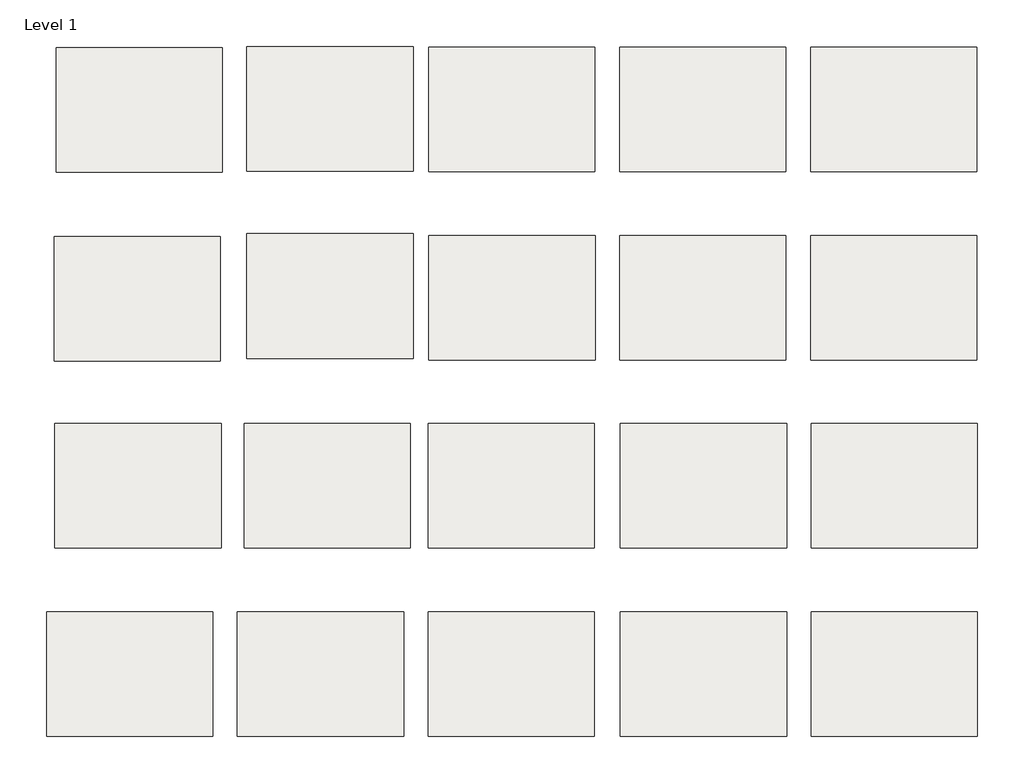
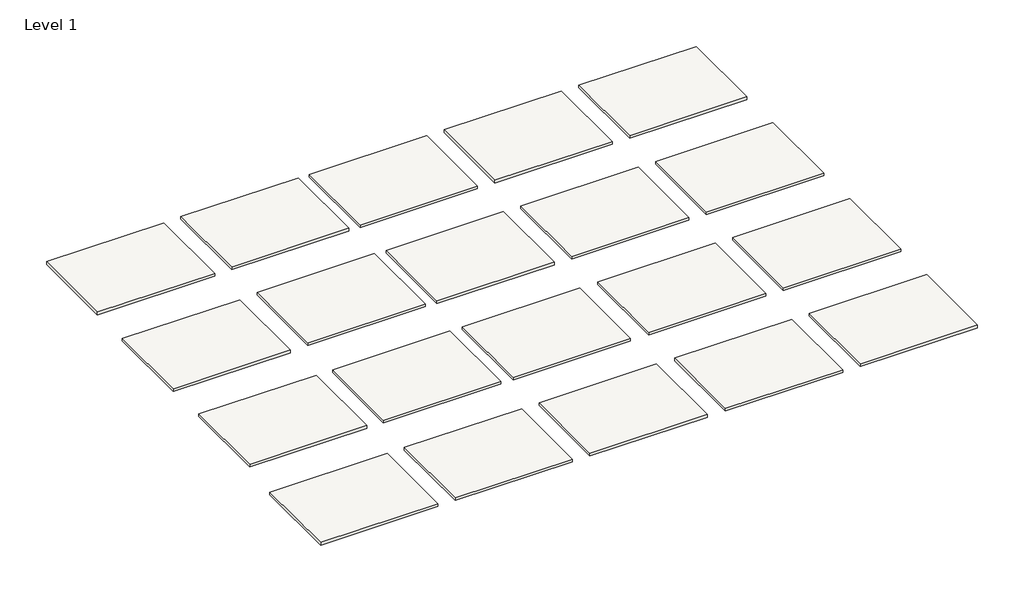
# One storey: 20 slabs.
"""IFC4 building model written with IfcOpenShell, lengths in millimetres."""

from ifc_helpers import new_model, si_unit, frame, origin, place, context, project, spatial, polyline, outline, extrude, element, save

model = new_model("IFC4")

# Units and contexts
model_context = context("Model", 3, world=origin())
ifc_project = project(units=[si_unit("LENGTHUNIT", "METRE", prefix="MILLI")], contexts=[model_context])

# Site, building, storey
site = spatial("IfcSite", under=ifc_project)
building = spatial("IfcBuilding", under=site)
storey = spatial("IfcBuildingStorey", under=building, Name="Level 1", Elevation=0.0)

# Slabs
placement = place(None, origin())
element("IfcSlab", 1, at=placement, inside=storey, context=model_context, shape_type="SweptSolid", body=[
    extrude(outline(polyline([(-8539.1664205, 6193.0102011), (-8539.1664205, 6497.8102011), (-8132.7664205, 6497.8102011), (-8132.7664205, 6193.0102011), (-8539.1664205, 6193.0102011)])), frame((0.0, 0.0, -9.525), z_axis=(0.0, 0.0, 1.0), x_axis=(1.0, 0.0, 0.0)), (0.0, 0.0, 1.0), 9.525),
])
element("IfcSlab", 2, at=placement, inside=storey, context=model_context, shape_type="SweptSolid", body=[
    extrude(outline(polyline([(-8094.3064635, 6191.4484123), (-8094.3064635, 6496.2484123), (-7687.9064635, 6496.2484123), (-7687.9064635, 6191.4484123), (-8094.3064635, 6191.4484123)])), frame((0.0, 0.0, -9.525), z_axis=(0.0, 0.0, 1.0), x_axis=(1.0, 0.0, 0.0)), (0.0, 0.0, 1.0), 9.525),
])
element("IfcSlab", 3, at=placement, inside=storey, context=model_context, shape_type="SweptSolid", body=[
    extrude(outline(polyline([(-7627.5814635, 6191.4484123), (-7627.5814635, 6496.2484123), (-7221.1814635, 6496.2484123), (-7221.1814635, 6191.4484123), (-7627.5814635, 6191.4484123)])), frame((0.0, 0.0, -9.525), z_axis=(0.0, 0.0, 1.0), x_axis=(1.0, 0.0, 0.0)), (0.0, 0.0, 1.0), 9.525),
])
element("IfcSlab", 4, at=placement, inside=storey, context=model_context, shape_type="SweptSolid", body=[
    extrude(outline(polyline([(-7160.8564635, 6191.4484123), (-7160.8564635, 6496.2484123), (-6754.4564635, 6496.2484123), (-6754.4564635, 6191.4484123), (-7160.8564635, 6191.4484123)])), frame((0.0, 0.0, -9.525), z_axis=(0.0, 0.0, 1.0), x_axis=(1.0, 0.0, 0.0)), (0.0, 0.0, 1.0), 9.525),
])
element("IfcSlab", 5, at=placement, inside=storey, context=model_context, shape_type="SweptSolid", body=[
    extrude(outline(polyline([(-9010.2023039, 5727.7116806), (-9010.2023039, 6032.5116806), (-8603.8023039, 6032.5116806), (-8603.8023039, 5727.7116806), (-9010.2023039, 5727.7116806)])), frame((0.0, 0.0, -9.525), z_axis=(0.0, 0.0, 1.0), x_axis=(1.0, 0.0, 0.0)), (0.0, 0.0, 1.0), 9.525),
])
element("IfcSlab", 6, at=placement, inside=storey, context=model_context, shape_type="SweptSolid", body=[
    extrude(outline(polyline([(-8539.2754025, 5734.899991), (-8539.2754025, 6039.699991), (-8132.8754025, 6039.699991), (-8132.8754025, 5734.899991), (-8539.2754025, 5734.899991)])), frame((0.0, 0.0, -9.525), z_axis=(0.0, 0.0, 1.0), x_axis=(1.0, 0.0, 0.0)), (0.0, 0.0, 1.0), 9.525),
])
element("IfcSlab", 7, at=placement, inside=storey, context=model_context, shape_type="SweptSolid", body=[
    extrude(outline(polyline([(-8094.1153335, 5730.7923851), (-8094.1153335, 6035.5923851), (-7687.7153335, 6035.5923851), (-7687.7153335, 5730.7923851), (-8094.1153335, 5730.7923851)])), frame((0.0, 0.0, -9.525), z_axis=(0.0, 0.0, 1.0), x_axis=(1.0, 0.0, 0.0)), (0.0, 0.0, 1.0), 9.525),
])
element("IfcSlab", 8, at=placement, inside=storey, context=model_context, shape_type="SweptSolid", body=[
    extrude(outline(polyline([(-7627.3903335, 5730.7923851), (-7627.3903335, 6035.5923851), (-7220.9903335, 6035.5923851), (-7220.9903335, 5730.7923851), (-7627.3903335, 5730.7923851)])), frame((0.0, 0.0, -9.525), z_axis=(0.0, 0.0, 1.0), x_axis=(1.0, 0.0, 0.0)), (0.0, 0.0, 1.0), 9.525),
])
element("IfcSlab", 9, at=placement, inside=storey, context=model_context, shape_type="SweptSolid", body=[
    extrude(outline(polyline([(-7160.6653335, 5730.7923851), (-7160.6653335, 6035.5923851), (-6754.2653335, 6035.5923851), (-6754.2653335, 5730.7923851), (-7160.6653335, 5730.7923851)])), frame((0.0, 0.0, -9.525), z_axis=(0.0, 0.0, 1.0), x_axis=(1.0, 0.0, 0.0)), (0.0, 0.0, 1.0), 9.525),
])
element("IfcSlab", 10, at=placement, inside=storey, context=model_context, shape_type="SweptSolid", body=[
    extrude(outline(polyline([(-9008.794188, 5270.8556004), (-9008.794188, 5575.6556004), (-8602.394188, 5575.6556004), (-8602.394188, 5270.8556004), (-9008.794188, 5270.8556004)])), frame((0.0, 0.0, -9.525), z_axis=(0.0, 0.0, 1.0), x_axis=(1.0, 0.0, 0.0)), (0.0, 0.0, 1.0), 9.525),
])
element("IfcSlab", 11, at=placement, inside=storey, context=model_context, shape_type="SweptSolid", body=[
    extrude(outline(polyline([(-8545.6119981, 5270.8556004), (-8545.6119981, 5575.6556004), (-8139.2119981, 5575.6556004), (-8139.2119981, 5270.8556004), (-8545.6119981, 5270.8556004)])), frame((0.0, 0.0, -9.525), z_axis=(0.0, 0.0, 1.0), x_axis=(1.0, 0.0, 0.0)), (0.0, 0.0, 1.0), 9.525),
])
element("IfcSlab", 12, at=placement, inside=storey, context=model_context, shape_type="SweptSolid", body=[
    extrude(outline(polyline([(-8095.8072986, 5270.8556004), (-8095.8072986, 5575.6556004), (-7689.4072986, 5575.6556004), (-7689.4072986, 5270.8556004), (-8095.8072986, 5270.8556004)])), frame((0.0, 0.0, -9.525), z_axis=(0.0, 0.0, 1.0), x_axis=(1.0, 0.0, 0.0)), (0.0, 0.0, 1.0), 9.525),
])
element("IfcSlab", 13, at=placement, inside=storey, context=model_context, shape_type="SweptSolid", body=[
    extrude(outline(polyline([(-7625.9072986, 5270.8556004), (-7625.9072986, 5575.6556004), (-7219.5072986, 5575.6556004), (-7219.5072986, 5270.8556004), (-7625.9072986, 5270.8556004)])), frame((0.0, 0.0, -9.525), z_axis=(0.0, 0.0, 1.0), x_axis=(1.0, 0.0, 0.0)), (0.0, 0.0, 1.0), 9.525),
])
element("IfcSlab", 14, at=placement, inside=storey, context=model_context, shape_type="SweptSolid", body=[
    extrude(outline(polyline([(-7159.1822986, 5270.8556004), (-7159.1822986, 5575.6556004), (-6752.7822986, 5575.6556004), (-6752.7822986, 5270.8556004), (-7159.1822986, 5270.8556004)])), frame((0.0, 0.0, -9.525), z_axis=(0.0, 0.0, 1.0), x_axis=(1.0, 0.0, 0.0)), (0.0, 0.0, 1.0), 9.525),
])
element("IfcSlab", 15, at=placement, inside=storey, context=model_context, shape_type="SweptSolid", body=[
    extrude(outline(polyline([(-9029.0661686, 4810.1995731), (-9029.0661686, 5114.9995731), (-8622.6661686, 5114.9995731), (-8622.6661686, 4810.1995731), (-9029.0661686, 4810.1995731)])), frame((0.0, 0.0, -9.525), z_axis=(0.0, 0.0, 1.0), x_axis=(1.0, 0.0, 0.0)), (0.0, 0.0, 1.0), 9.525),
])
element("IfcSlab", 16, at=placement, inside=storey, context=model_context, shape_type="SweptSolid", body=[
    extrude(outline(polyline([(-8562.3411686, 4810.1995731), (-8562.3411686, 5114.9995731), (-8155.9411686, 5114.9995731), (-8155.9411686, 4810.1995731), (-8562.3411686, 4810.1995731)])), frame((0.0, 0.0, -9.525), z_axis=(0.0, 0.0, 1.0), x_axis=(1.0, 0.0, 0.0)), (0.0, 0.0, 1.0), 9.525),
])
element("IfcSlab", 17, at=placement, inside=storey, context=model_context, shape_type="SweptSolid", body=[
    extrude(outline(polyline([(-8095.6161686, 4810.1995731), (-8095.6161686, 5114.9995731), (-7689.2161686, 5114.9995731), (-7689.2161686, 4810.1995731), (-8095.6161686, 4810.1995731)])), frame((0.0, 0.0, -9.525), z_axis=(0.0, 0.0, 1.0), x_axis=(1.0, 0.0, 0.0)), (0.0, 0.0, 1.0), 9.525),
])
element("IfcSlab", 18, at=placement, inside=storey, context=model_context, shape_type="SweptSolid", body=[
    extrude(outline(polyline([(-7625.7161686, 4810.1995731), (-7625.7161686, 5114.9995731), (-7219.3161686, 5114.9995731), (-7219.3161686, 4810.1995731), (-7625.7161686, 4810.1995731)])), frame((0.0, 0.0, -9.525), z_axis=(0.0, 0.0, 1.0), x_axis=(1.0, 0.0, 0.0)), (0.0, 0.0, 1.0), 9.525),
])
element("IfcSlab", 19, at=placement, inside=storey, context=model_context, shape_type="SweptSolid", body=[
    extrude(outline(polyline([(-7158.9911686, 4810.1995731), (-7158.9911686, 5114.9995731), (-6752.5911686, 5114.9995731), (-6752.5911686, 4810.1995731), (-7158.9911686, 4810.1995731)])), frame((0.0, 0.0, -9.525), z_axis=(0.0, 0.0, 1.0), x_axis=(1.0, 0.0, 0.0)), (0.0, 0.0, 1.0), 9.525),
])
element("IfcSlab", 20, at=placement, inside=storey, context=model_context, shape_type="SweptSolid", body=[
    extrude(outline(polyline([(-9005.9428429, 6189.8866236), (-9005.9428429, 6494.6866236), (-8599.5428429, 6494.6866236), (-8599.5428429, 6189.8866236), (-9005.9428429, 6189.8866236)])), frame((0.0, 0.0, -9.525), z_axis=(0.0, 0.0, 1.0), x_axis=(1.0, 0.0, 0.0)), (0.0, 0.0, 1.0), 9.525),
])

save(model, "model.ifc")
